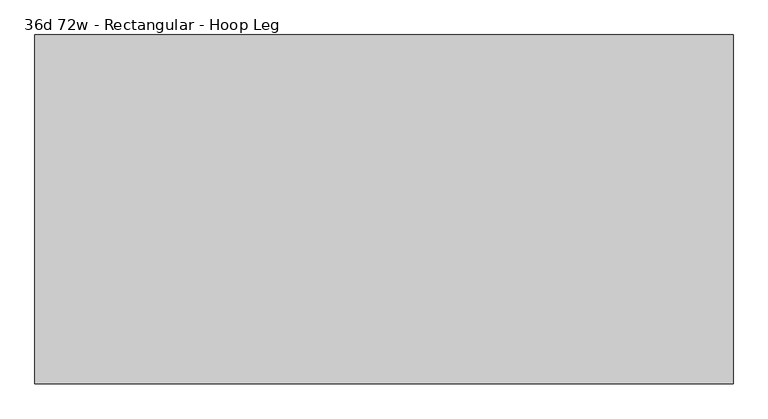
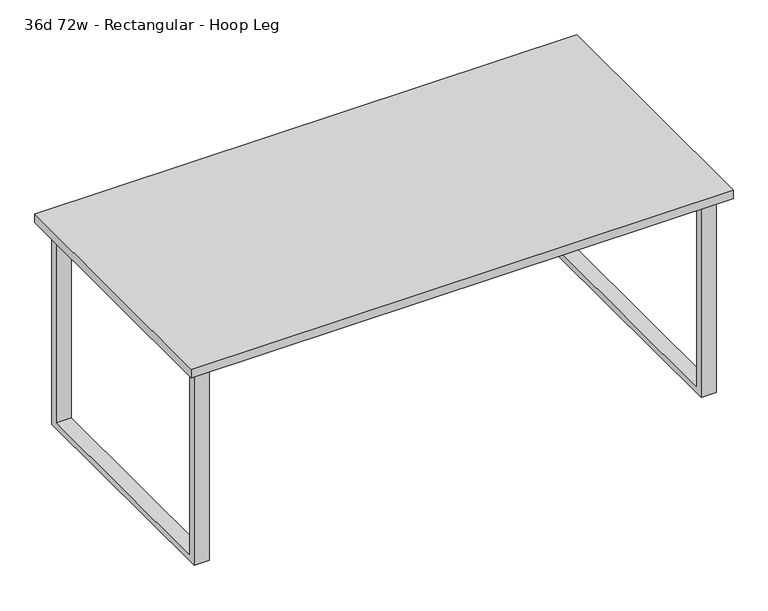
"""IFC4 building model written with IfcOpenShell, lengths in millimetres: furniture geometry, 36d 72w - Rectangular - Hoop Leg."""

from ifc_helpers import new_model, si_unit, frame, origin, place, context, project, spatial, polyline, outline, extrude, source, transform, mapped, element, save


def furniture_36d_72w_rectangular_hoop_leg_b228a794(model_context):
    return source(origin(), model_context, "Body", "SweptSolid", [
        extrude(outline(polyline([(390.525, 706.4375), (415.925, 706.4375), (415.925, 0.0), (-415.925, 0.0), (-415.925, 706.4375), (-390.525, 706.4375), (-390.525, 20.6375), (390.525, 20.6375), (390.525, 706.4375)])), frame((-881.38, 0.0, 0.0), z_axis=(1.0, 0.0, 0.0), x_axis=(0.0, 1.0, 0.0)), (0.0, 0.0, 1.0), 50.8),
        extrude(outline(polyline([(390.525, 706.4375), (415.925, 706.4375), (415.925, 0.0), (-415.925, 0.0), (-415.925, 706.4375), (-390.525, 706.4375), (-390.525, 20.6375), (390.525, 20.6375), (390.525, 706.4375)])), frame((830.58, 0.0, 0.0), z_axis=(1.0, 0.0, 0.0), x_axis=(0.0, 1.0, 0.0)), (0.0, 0.0, 1.0), 50.8),
        extrude(outline(polyline([(914.4, 457.2), (914.4, -457.2), (-914.4, -457.2), (-914.4, 457.2), (914.4, 457.2)])), frame((0.0, 0.0, 706.4375), z_axis=(0.0, 0.0, 1.0), x_axis=(1.0, 0.0, 0.0)), (0.0, 0.0, 1.0), 30.1625),
    ])


if __name__ == "__main__":
    model = new_model("IFC4")
    model_context = context("Model", 3, world=origin())
    ifc_project = project(units=[si_unit("LENGTHUNIT", "METRE", prefix="MILLI")], contexts=[model_context])
    site = spatial("IfcSite", under=ifc_project)
    building = spatial("IfcBuilding", under=site)
    placement = place(None, origin())
    furniture_36d_72w_rectangular_hoop_leg_shape = furniture_36d_72w_rectangular_hoop_leg_b228a794(model_context)
    element("IfcFurniture", 1, ObjectType="36d 72w - Rectangular - Hoop Leg", at=placement, inside=building, context=model_context, shape_type="MappedRepresentation", body=[
        mapped(furniture_36d_72w_rectangular_hoop_leg_shape, transform((0.0, 0.0, 0.0), x_axis=(1.0, 0.0, 0.0), y_axis=(0.0, 1.0, 0.0), z_axis=(0.0, 0.0, 1.0))),
    ])
    save(model, "model.ifc")
